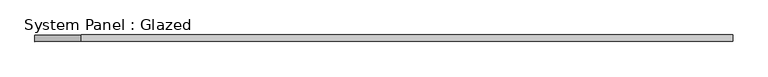
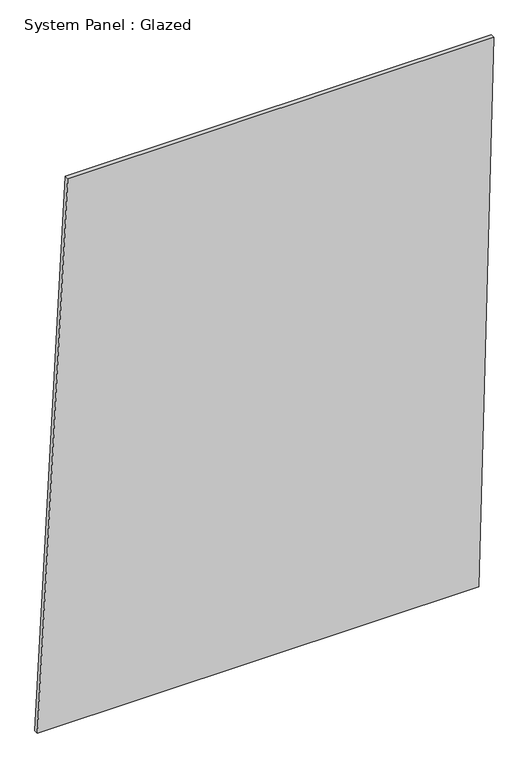
"""IFC4 building model written with IfcOpenShell, lengths in millimetres: plate geometry, System Panel : Glazed."""

from ifc_helpers import new_model, si_unit, frame, origin, place, context, project, spatial, polyline, outline, extrude, source, transform, mapped, element, save


def system_panel_glazed_a5020094(model_context):
    return source(origin(), model_context, "Body", "SweptSolid", [
        extrude(outline(polyline([(0.0, -1324.5573401), (0.0, 1236.6124462), (3340.8312383, 1324.5573401), (3340.8312383, -1148.6675524), (0.0, -1324.5573401)])), frame((0.0, -49.5, 0.0), z_axis=(0.0, 1.0, 0.0), x_axis=(0.0, 0.0, 1.0)), (0.0, 0.0, 1.0), 25.0),
    ])


if __name__ == "__main__":
    model = new_model("IFC4")
    model_context = context("Model", 3, world=origin())
    ifc_project = project(units=[si_unit("LENGTHUNIT", "METRE", prefix="MILLI")], contexts=[model_context])
    site = spatial("IfcSite", under=ifc_project)
    building = spatial("IfcBuilding", under=site)
    placement = place(None, origin())
    system_panel_glazed_shape = system_panel_glazed_a5020094(model_context)
    element("IfcPlate", 1, ObjectType="System Panel : Glazed", at=placement, inside=building, context=model_context, shape_type="MappedRepresentation", body=[
        mapped(system_panel_glazed_shape, transform((0.0, 0.0, 0.0), x_axis=(1.0, 0.0, 0.0), y_axis=(0.0, 1.0, 0.0), z_axis=(0.0, 0.0, 1.0))),
    ])
    save(model, "model.ifc")
